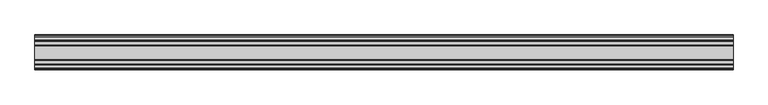
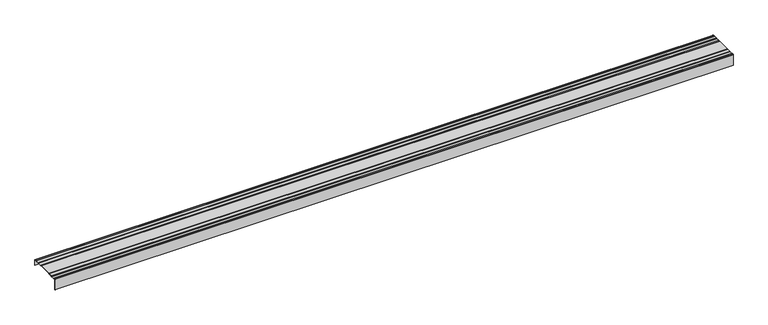
"""IFC4 building model written with IfcOpenShell, lengths in millimetres: proxy geometry."""

import ifcopenshell
import ifcopenshell.guid

model = None  # the IFC model being written
_history = None  # IfcOwnerHistory: only IFC2X3 demands one
_inside = {}  # id of a spatial element -> (the spatial element, [elements in it])
_under = {}  # id of a project, library or spatial element -> (it, [spatial elements below it])
_declared = {}  # id of a project -> (the project, [libraries it declares])
_typed = {}  # id of a type object -> (the type object, [elements of that type])
_made_of = {}  # id of a material, layer set ... -> (it, [elements and type objects made of it])


def new_model(schema):
    """Start an empty IFC model of exactly this schema.

    Asked for "IFC4X3", IfcOpenShell would pick the latest addendum, in which some entities
    have other attributes; the version numbers below select the first issue.
    IFC2X3 requires an IfcOwnerHistory on every rooted entity: one is made here for all.
    """
    global model, _history
    if schema == "IFC4X3":
        model = ifcopenshell.file(schema_version=(4, 3, 0, 0))
    else:
        model = ifcopenshell.file(schema=schema)
    _inside.clear()
    _under.clear()
    _declared.clear()
    _typed.clear()
    _made_of.clear()
    _history = None
    if model.schema == "IFC2X3":
        org = make("IfcOrganization", Name="unknown")
        user = make(
            "IfcPersonAndOrganization",
            ThePerson=make("IfcPerson", FamilyName="unknown"),
            TheOrganization=org,
        )
        app = make(
            "IfcApplication",
            ApplicationDeveloper=org,
            Version="unknown",
            ApplicationFullName="unknown",
            ApplicationIdentifier="unknown",
        )
        _history = make(
            "IfcOwnerHistory",
            OwningUser=user,
            OwningApplication=app,
            ChangeAction="ADDED",
            CreationDate=0,
        )
    return model


def make(cls, **values):
    """One entity of the class cls with the attributes given. An attribute that is None is left unset."""
    return model.create_entity(
        cls, **{name: value for name, value in values.items() if value is not None}
    )


def rooted(cls, **values):
    """An entity with a GlobalId (a new one), such as an element, a storey or a relation."""
    return make(cls, GlobalId=ifcopenshell.guid.new(), OwnerHistory=_history, **values)


def si_unit(unit_type, name, prefix=None):
    """IfcSIUnit, for example si_unit("LENGTHUNIT", "METRE", prefix="MILLI")."""
    return make("IfcSIUnit", UnitType=unit_type, Prefix=prefix, Name=name)


def assignment(units):
    """IfcUnitAssignment: the units of a project."""
    return None if units is None else make("IfcUnitAssignment", Units=units)


def point(xyz):
    """IfcCartesianPoint."""
    return None if xyz is None else make("IfcCartesianPoint", Coordinates=xyz)


def direction(xyz):
    """IfcDirection."""
    return None if xyz is None else make("IfcDirection", DirectionRatios=xyz)


def frame(location, z_axis=None, x_axis=None):
    """IfcAxis2Placement3D, a coordinate frame: its origin and axes. An axis left out is left unset."""
    return make(
        "IfcAxis2Placement3D",
        Location=point(location),
        Axis=direction(z_axis),
        RefDirection=direction(x_axis),
    )


def frame_2d(location, x_axis=None):
    """IfcAxis2Placement2D, a coordinate frame in the plane: its origin and x axis."""
    return make(
        "IfcAxis2Placement2D", Location=point(location), RefDirection=direction(x_axis)
    )


def origin():
    """The frame at (0, 0, 0) with its axes left unset."""
    return frame((0.0, 0.0, 0.0))


def place(relative_to, where):
    """IfcLocalPlacement: puts the frame where relative to a parent placement (None: the world)."""
    return make(
        "IfcLocalPlacement", PlacementRelTo=relative_to, RelativePlacement=where
    )


def context(
    kind, dimensions, precision=None, world=None, true_north=None, identifier=None
):
    """IfcGeometricRepresentationContext, for example the 3D "Model" context."""
    return make(
        "IfcGeometricRepresentationContext",
        ContextIdentifier=identifier,
        ContextType=kind,
        CoordinateSpaceDimension=dimensions,
        Precision=precision,
        WorldCoordinateSystem=world,
        TrueNorth=true_north,
    )


def project(units=None, contexts=None):
    """IfcProject with its units and contexts."""
    return rooted(
        "IfcProject",
        Name="project",
        RepresentationContexts=contexts,
        UnitsInContext=assignment(units),
    )


def spatial(cls, under=None, at=None, **own):
    """A site, building, storey or space (cls), placed at a placement, below another one or the project."""
    s = rooted(cls, ObjectPlacement=at, **own)
    if under is not None:
        _under.setdefault(under.id(), (under, []))[1].append(s)
    return s


def polyline(points):
    """IfcPolyline through the points."""
    return make("IfcPolyline", Points=[point(p) for p in points])


def circle_curve(where, radius):
    """IfcCircle in the frame where."""
    return make("IfcCircle", Position=where, Radius=radius)


def trimmed(basis, trim1, trim2, sense, master):
    """IfcTrimmedCurve: the piece of a basis curve between two trims."""
    return make(
        "IfcTrimmedCurve",
        BasisCurve=basis,
        Trim1=trim1,
        Trim2=trim2,
        SenseAgreement=sense,
        MasterRepresentation=master,
    )


def segment(curve, same_sense, transition):
    """IfcCompositeCurveSegment."""
    return make(
        "IfcCompositeCurveSegment",
        Transition=transition,
        SameSense=same_sense,
        ParentCurve=curve,
    )


def composite_curve(segments, self_intersect=None):
    """IfcCompositeCurve: segments joined end to end."""
    return make("IfcCompositeCurve", Segments=segments, SelfIntersect=self_intersect)


def outline(outer, holes=None, kind="AREA"):
    """IfcArbitraryClosedProfileDef: a profile drawn as a closed curve; with holes, ...WithVoids."""
    if holes is None:
        return make("IfcArbitraryClosedProfileDef", ProfileType=kind, OuterCurve=outer)
    return make(
        "IfcArbitraryProfileDefWithVoids",
        ProfileType=kind,
        OuterCurve=outer,
        InnerCurves=holes,
    )


def extrude(swept, where, along, depth):
    """IfcExtrudedAreaSolid: the profile swept, set in the frame where, extruded along a direction by depth."""
    return make(
        "IfcExtrudedAreaSolid",
        SweptArea=swept,
        Position=where,
        ExtrudedDirection=direction(along),
        Depth=depth,
    )


def shape(context_of_items, identifier, shape_type, items):
    """IfcShapeRepresentation: the items that make up one representation, for example the "Body"."""
    return make(
        "IfcShapeRepresentation",
        ContextOfItems=context_of_items,
        RepresentationIdentifier=identifier,
        RepresentationType=shape_type,
        Items=items,
    )


def source(mapping_origin, context_of_items, identifier, shape_type, items):
    """IfcRepresentationMap: a shape defined once, which mapped items show again and again."""
    return make(
        "IfcRepresentationMap",
        MappingOrigin=mapping_origin,
        MappedRepresentation=shape(context_of_items, identifier, shape_type, items),
    )


def transform(
    local_origin,
    x_axis=None,
    y_axis=None,
    z_axis=None,
    scale=None,
    scale2=None,
    scale3=None,
    uniform=True,
):
    """IfcCartesianTransformationOperator3D, or its non-uniform kind. x_axis, y_axis, z_axis: its Axis1, 2, 3."""
    if uniform:
        return make(
            "IfcCartesianTransformationOperator3D",
            Axis1=direction(x_axis),
            Axis2=direction(y_axis),
            LocalOrigin=point(local_origin),
            Scale=scale,
            Axis3=direction(z_axis),
        )
    return make(
        "IfcCartesianTransformationOperator3DnonUniform",
        Axis1=direction(x_axis),
        Axis2=direction(y_axis),
        LocalOrigin=point(local_origin),
        Scale=scale,
        Axis3=direction(z_axis),
        Scale2=scale2,
        Scale3=scale3,
    )


def mapped(mapping_source, mapping_target):
    """IfcMappedItem: shows the shape of a source again, moved by a transform."""
    return make(
        "IfcMappedItem", MappingSource=mapping_source, MappingTarget=mapping_target
    )


def made_of(thing, what):
    """Note that an element or type object is made of a material, layer set ...; save() writes the relation."""
    if what is not None:
        _made_of.setdefault(what.id(), (what, []))[1].append(thing)
    return thing


def element(
    cls,
    number,
    at=None,
    inside=None,
    cuts=None,
    type_object=None,
    material=None,
    context=None,
    identifier="Body",
    shape_type=None,
    held_by="IfcProductDefinitionShape",
    body=None,
    shapes=None,
    **own,
):
    """One element of the class cls, such as IfcWall. Its Tag is "e" and its number.

    at: its placement. inside: the storey or other place that contains it. cuts: it is an
    opening in that element (IfcRelVoidsElement). A single representation is given by context,
    identifier, shape_type and body (its items); several are given by shapes. held_by: the class
    of the entity that holds the representations. save() writes the other relations.
    """
    e = rooted(cls, Tag="e%d" % number, ObjectPlacement=at, **own)
    if body is not None:
        shapes = [shape(context, identifier, shape_type, body)]
    if shapes is not None:
        e.Representation = make(held_by, Representations=shapes)
    if inside is not None:
        _inside.setdefault(inside.id(), (inside, []))[1].append(e)
    if cuts is not None:
        rooted(
            "IfcRelVoidsElement", RelatingBuildingElement=cuts, RelatedOpeningElement=e
        )
    if type_object is not None:
        _typed.setdefault(type_object.id(), (type_object, []))[1].append(e)
    return made_of(e, material)


def aggregate(whole, parts):
    """IfcRelAggregates: a whole, such as a stair, and the parts it consists of."""
    return rooted("IfcRelAggregates", RelatingObject=whole, RelatedObjects=parts)


def save(model, path):
    """Write the relations noted so far, then the file.

    IfcRelAggregates (storeys below a building ...), IfcRelContainedInSpatialStructure (elements
    in a storey), IfcRelDefinesByType, IfcRelAssociatesMaterial and IfcRelDeclares: one each for
    every whole, place, type object, material and project.
    """
    for whole, parts in _under.values():
        aggregate(whole, parts)
    for where, things in _inside.values():
        rooted(
            "IfcRelContainedInSpatialStructure",
            RelatedElements=things,
            RelatingStructure=where,
        )
    for kind, things in _typed.values():
        rooted("IfcRelDefinesByType", RelatedObjects=things, RelatingType=kind)
    for what, things in _made_of.values():
        rooted("IfcRelAssociatesMaterial", RelatedObjects=things, RelatingMaterial=what)
    for by, libraries in _declared.values():
        rooted("IfcRelDeclares", RelatingContext=by, RelatedDefinitions=libraries)
    model.write(path)


def generic_models_c9d544fc(model_context):
    return source(origin(), model_context, "Body", "SweptSolid", [
        extrude(outline(composite_curve([segment(polyline([(75.5, -25.0), (75.2744864, -24.1583717), (74.9, -25.0), (74.9, -1.25)]), True, "CONTINUOUS"), segment(trimmed(circle_curve(frame_2d((74.25, -1.25)), 0.65), [point((74.9, -1.25))], [point((74.25, -0.6))], True, "CARTESIAN"), True, "CONTINUOUS"), segment(polyline([(74.25, -0.6), (67.6736854, -0.6), (66.5, -1.4), (53.75, -1.4), (51.25, -2.4), (48.75, -1.4), (33.75, -1.4), (31.25, -2.4), (28.75, -1.4), (-28.75, -1.4), (-31.25, -2.4), (-33.75, -1.4), (-48.75, -1.4), (-51.25, -2.4), (-53.75, -1.4), (-66.5, -1.4), (-67.6736854, -0.6), (-73.95, -0.6)]), True, "CONTINUOUS"), segment(trimmed(circle_curve(frame_2d((-73.95, -1.25)), 0.65), [point((-73.95, -0.6))], [point((-74.6, -1.25))], True, "CARTESIAN"), True, "CONTINUOUS"), segment(polyline([(-74.6, -1.25), (-74.6, -50.0), (-74.8757978, -49.2422518), (-75.2, -50.0), (-75.2, -1.25)]), True, "CONTINUOUS"), segment(trimmed(circle_curve(frame_2d((-73.95, -1.25)), 1.25), [point((-75.2, -1.25))], [point((-73.95, 0.0))], False, "CARTESIAN"), True, "CONTINUOUS"), segment(polyline([(-73.95, 0.0), (-67.6736854, 0.0), (-66.5, -0.8), (-53.75, -0.8), (-51.25, -1.8), (-48.75, -0.8), (-33.75, -0.8), (-31.25, -1.8), (-28.75, -0.8), (28.75, -0.8), (31.25, -1.8), (33.75, -0.8), (48.75, -0.8), (51.25, -1.8), (53.75, -0.8), (66.5, -0.8), (67.6736854, 0.0), (74.25, 0.0)]), True, "CONTINUOUS"), segment(trimmed(circle_curve(frame_2d((74.25, -1.25)), 1.25), [point((74.25, 0.0))], [point((75.5, -1.25))], False, "CARTESIAN"), True, "CONTINUOUS"), segment(polyline([(75.5, -1.25), (75.5, -25.0)]), True, "CONTINUOUS")], self_intersect=False)), frame((0.0, 0.0, 0.0), z_axis=(1.0, 0.0, 0.0), x_axis=(0.0, 1.0, 0.0)), (0.0, 0.0, 1.0), 3000.0),
    ])


if __name__ == "__main__":
    model = new_model("IFC4")
    model_context = context("Model", 3, world=origin())
    ifc_project = project(units=[si_unit("LENGTHUNIT", "METRE", prefix="MILLI")], contexts=[model_context])
    site = spatial("IfcSite", under=ifc_project)
    building = spatial("IfcBuilding", under=site)
    placement = place(None, origin())
    generic_models_shape = generic_models_c9d544fc(model_context)
    element("IfcBuildingElementProxy", 1, Name="Generic Models", at=placement, inside=building, context=model_context, shape_type="MappedRepresentation", body=[
        mapped(generic_models_shape, transform((0.0, 0.0, 0.0), x_axis=(1.0, 0.0, 0.0), y_axis=(0.0, 1.0, 0.0), z_axis=(0.0, 0.0, 1.0))),
    ])
    save(model, "model.ifc")
